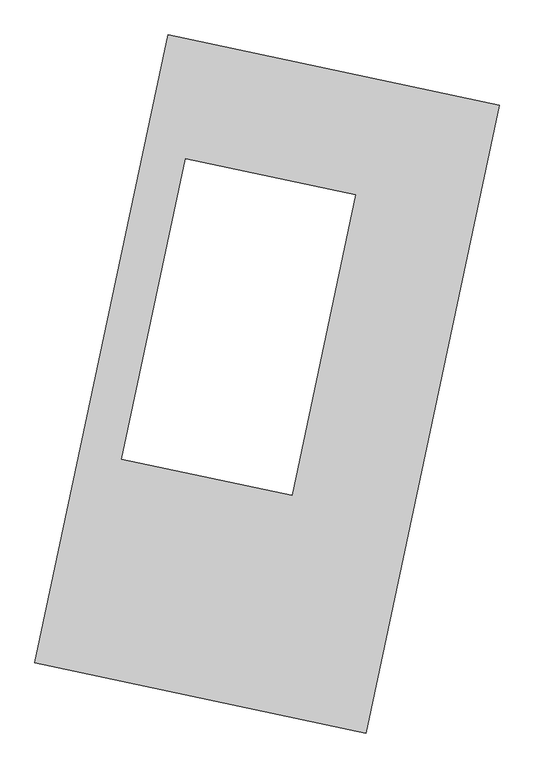
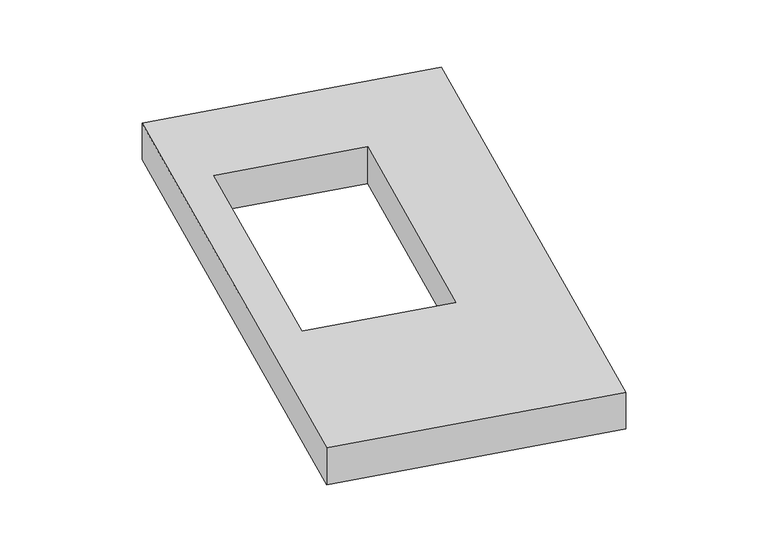
"""IFC4 building model written with IfcOpenShell, lengths in millimetres: proxy geometry."""

from ifc_helpers import new_model, si_unit, origin, origin_with_axes, place, context, project, spatial, polyline, outline, extrude, source, transform, mapped, element, save


def generic_models_14301eba(model_context):
    return source(origin(), model_context, "Body", "SweptSolid", [
        extrude(outline(polyline([(-617.3692021, 2175.5580432), (1447.7508745, 1737.3010494), (617.3692021, -2175.5580432), (-1447.7508745, -1737.3010494), (-617.3692021, 2175.5580432)]), holes=[polyline([(553.2049911, 1178.6305517), (-508.0909733, 1403.857348), (-905.5384069, -468.9631344), (155.7575575, -694.1899307), (553.2049911, 1178.6305517)])]), origin_with_axes(), (0.0, 0.0, 1.0), 300.0),
    ])


if __name__ == "__main__":
    model = new_model("IFC4")
    model_context = context("Model", 3, world=origin())
    ifc_project = project(units=[si_unit("LENGTHUNIT", "METRE", prefix="MILLI")], contexts=[model_context])
    site = spatial("IfcSite", under=ifc_project)
    building = spatial("IfcBuilding", under=site)
    placement = place(None, origin())
    generic_models_shape = generic_models_14301eba(model_context)
    element("IfcBuildingElementProxy", 1, Name="Generic Models", at=placement, inside=building, context=model_context, shape_type="MappedRepresentation", body=[
        mapped(generic_models_shape, transform((0.0, 0.0, 0.0), x_axis=(1.0, 0.0, 0.0), y_axis=(0.0, 1.0, 0.0), z_axis=(0.0, 0.0, 1.0))),
    ])
    save(model, "model.ifc")
